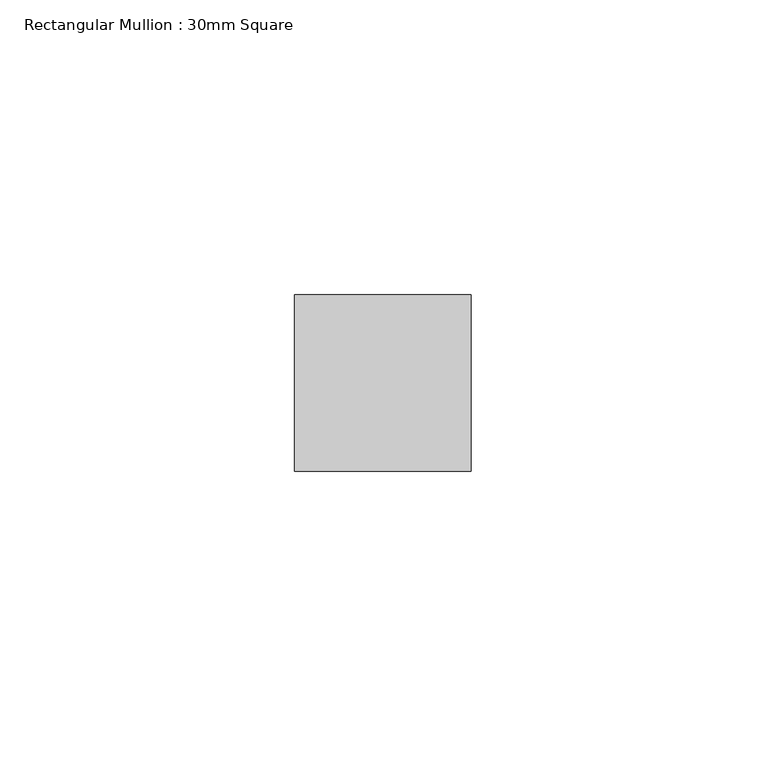
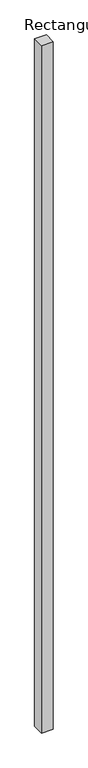
"""IFC4 building model written with IfcOpenShell, lengths in millimetres: member geometry, Rectangular Mullion : 30mm Square."""

from ifc_helpers import new_model, si_unit, frame, origin, place, context, project, spatial, polyline, outline, extrude, source, transform, mapped, element, save


def rectangular_mullion_30mm_square_b2825c94(model_context):
    return source(origin(), model_context, "Body", "SweptSolid", [
        extrude(outline(polyline([(15.0, 15.0), (15.0, -15.0), (-15.0, -15.0), (-15.0, 15.0), (15.0, 15.0)])), frame((0.0, 0.0, -1859.8179025), z_axis=(0.0, 0.0, 1.0), x_axis=(1.0, 0.0, 0.0)), (0.0, 0.0, 1.0), 1859.8179025),
    ])


if __name__ == "__main__":
    model = new_model("IFC4")
    model_context = context("Model", 3, world=origin())
    ifc_project = project(units=[si_unit("LENGTHUNIT", "METRE", prefix="MILLI")], contexts=[model_context])
    site = spatial("IfcSite", under=ifc_project)
    building = spatial("IfcBuilding", under=site)
    placement = place(None, origin())
    rectangular_mullion_30mm_square_shape = rectangular_mullion_30mm_square_b2825c94(model_context)
    element("IfcMember", 1, ObjectType="Rectangular Mullion : 30mm Square", at=placement, inside=building, context=model_context, shape_type="MappedRepresentation", body=[
        mapped(rectangular_mullion_30mm_square_shape, transform((0.0, 0.0, 0.0), x_axis=(1.0, 0.0, 0.0), y_axis=(0.0, 1.0, 0.0), z_axis=(0.0, 0.0, 1.0))),
    ])
    save(model, "model.ifc")
